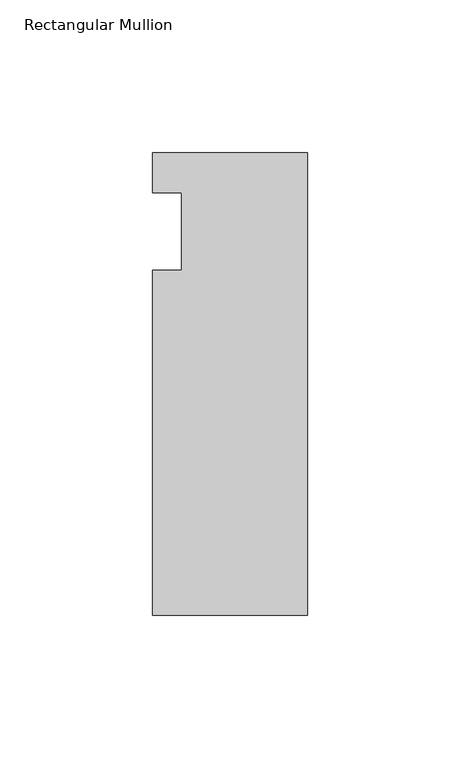
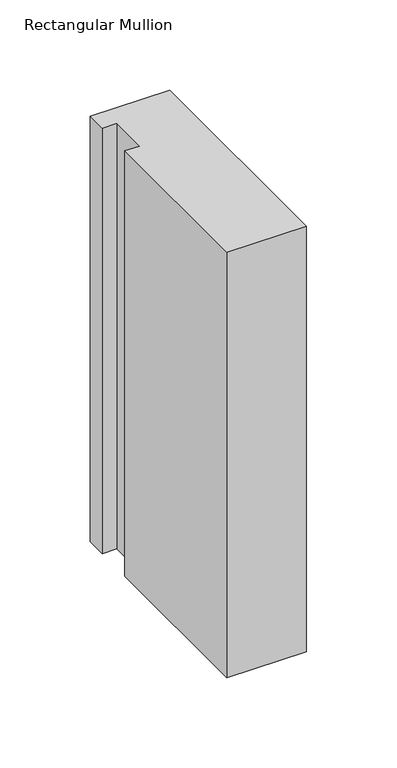
"""IFC4 building model written with IfcOpenShell, lengths in millimetres: member geometry, Rectangular Mullion."""

import ifcopenshell
import ifcopenshell.guid

model = None  # the IFC model being written
_history = None  # IfcOwnerHistory: only IFC2X3 demands one
_inside = {}  # id of a spatial element -> (the spatial element, [elements in it])
_under = {}  # id of a project, library or spatial element -> (it, [spatial elements below it])
_declared = {}  # id of a project -> (the project, [libraries it declares])
_typed = {}  # id of a type object -> (the type object, [elements of that type])
_made_of = {}  # id of a material, layer set ... -> (it, [elements and type objects made of it])


def new_model(schema):
    """Start an empty IFC model of exactly this schema.

    Asked for "IFC4X3", IfcOpenShell would pick the latest addendum, in which some entities
    have other attributes; the version numbers below select the first issue.
    IFC2X3 requires an IfcOwnerHistory on every rooted entity: one is made here for all.
    """
    global model, _history
    if schema == "IFC4X3":
        model = ifcopenshell.file(schema_version=(4, 3, 0, 0))
    else:
        model = ifcopenshell.file(schema=schema)
    _inside.clear()
    _under.clear()
    _declared.clear()
    _typed.clear()
    _made_of.clear()
    _history = None
    if model.schema == "IFC2X3":
        org = make("IfcOrganization", Name="unknown")
        user = make(
            "IfcPersonAndOrganization",
            ThePerson=make("IfcPerson", FamilyName="unknown"),
            TheOrganization=org,
        )
        app = make(
            "IfcApplication",
            ApplicationDeveloper=org,
            Version="unknown",
            ApplicationFullName="unknown",
            ApplicationIdentifier="unknown",
        )
        _history = make(
            "IfcOwnerHistory",
            OwningUser=user,
            OwningApplication=app,
            ChangeAction="ADDED",
            CreationDate=0,
        )
    return model


def make(cls, **values):
    """One entity of the class cls with the attributes given. An attribute that is None is left unset."""
    return model.create_entity(
        cls, **{name: value for name, value in values.items() if value is not None}
    )


def rooted(cls, **values):
    """An entity with a GlobalId (a new one), such as an element, a storey or a relation."""
    return make(cls, GlobalId=ifcopenshell.guid.new(), OwnerHistory=_history, **values)


def si_unit(unit_type, name, prefix=None):
    """IfcSIUnit, for example si_unit("LENGTHUNIT", "METRE", prefix="MILLI")."""
    return make("IfcSIUnit", UnitType=unit_type, Prefix=prefix, Name=name)


def assignment(units):
    """IfcUnitAssignment: the units of a project."""
    return None if units is None else make("IfcUnitAssignment", Units=units)


def point(xyz):
    """IfcCartesianPoint."""
    return None if xyz is None else make("IfcCartesianPoint", Coordinates=xyz)


def direction(xyz):
    """IfcDirection."""
    return None if xyz is None else make("IfcDirection", DirectionRatios=xyz)


def frame(location, z_axis=None, x_axis=None):
    """IfcAxis2Placement3D, a coordinate frame: its origin and axes. An axis left out is left unset."""
    return make(
        "IfcAxis2Placement3D",
        Location=point(location),
        Axis=direction(z_axis),
        RefDirection=direction(x_axis),
    )


def origin():
    """The frame at (0, 0, 0) with its axes left unset."""
    return frame((0.0, 0.0, 0.0))


def place(relative_to, where):
    """IfcLocalPlacement: puts the frame where relative to a parent placement (None: the world)."""
    return make(
        "IfcLocalPlacement", PlacementRelTo=relative_to, RelativePlacement=where
    )


def context(
    kind, dimensions, precision=None, world=None, true_north=None, identifier=None
):
    """IfcGeometricRepresentationContext, for example the 3D "Model" context."""
    return make(
        "IfcGeometricRepresentationContext",
        ContextIdentifier=identifier,
        ContextType=kind,
        CoordinateSpaceDimension=dimensions,
        Precision=precision,
        WorldCoordinateSystem=world,
        TrueNorth=true_north,
    )


def project(units=None, contexts=None):
    """IfcProject with its units and contexts."""
    return rooted(
        "IfcProject",
        Name="project",
        RepresentationContexts=contexts,
        UnitsInContext=assignment(units),
    )


def spatial(cls, under=None, at=None, **own):
    """A site, building, storey or space (cls), placed at a placement, below another one or the project."""
    s = rooted(cls, ObjectPlacement=at, **own)
    if under is not None:
        _under.setdefault(under.id(), (under, []))[1].append(s)
    return s


def polyline(points):
    """IfcPolyline through the points."""
    return make("IfcPolyline", Points=[point(p) for p in points])


def outline(outer, holes=None, kind="AREA"):
    """IfcArbitraryClosedProfileDef: a profile drawn as a closed curve; with holes, ...WithVoids."""
    if holes is None:
        return make("IfcArbitraryClosedProfileDef", ProfileType=kind, OuterCurve=outer)
    return make(
        "IfcArbitraryProfileDefWithVoids",
        ProfileType=kind,
        OuterCurve=outer,
        InnerCurves=holes,
    )


def extrude(swept, where, along, depth):
    """IfcExtrudedAreaSolid: the profile swept, set in the frame where, extruded along a direction by depth."""
    return make(
        "IfcExtrudedAreaSolid",
        SweptArea=swept,
        Position=where,
        ExtrudedDirection=direction(along),
        Depth=depth,
    )


def shape(context_of_items, identifier, shape_type, items):
    """IfcShapeRepresentation: the items that make up one representation, for example the "Body"."""
    return make(
        "IfcShapeRepresentation",
        ContextOfItems=context_of_items,
        RepresentationIdentifier=identifier,
        RepresentationType=shape_type,
        Items=items,
    )


def source(mapping_origin, context_of_items, identifier, shape_type, items):
    """IfcRepresentationMap: a shape defined once, which mapped items show again and again."""
    return make(
        "IfcRepresentationMap",
        MappingOrigin=mapping_origin,
        MappedRepresentation=shape(context_of_items, identifier, shape_type, items),
    )


def transform(
    local_origin,
    x_axis=None,
    y_axis=None,
    z_axis=None,
    scale=None,
    scale2=None,
    scale3=None,
    uniform=True,
):
    """IfcCartesianTransformationOperator3D, or its non-uniform kind. x_axis, y_axis, z_axis: its Axis1, 2, 3."""
    if uniform:
        return make(
            "IfcCartesianTransformationOperator3D",
            Axis1=direction(x_axis),
            Axis2=direction(y_axis),
            LocalOrigin=point(local_origin),
            Scale=scale,
            Axis3=direction(z_axis),
        )
    return make(
        "IfcCartesianTransformationOperator3DnonUniform",
        Axis1=direction(x_axis),
        Axis2=direction(y_axis),
        LocalOrigin=point(local_origin),
        Scale=scale,
        Axis3=direction(z_axis),
        Scale2=scale2,
        Scale3=scale3,
    )


def mapped(mapping_source, mapping_target):
    """IfcMappedItem: shows the shape of a source again, moved by a transform."""
    return make(
        "IfcMappedItem", MappingSource=mapping_source, MappingTarget=mapping_target
    )


def made_of(thing, what):
    """Note that an element or type object is made of a material, layer set ...; save() writes the relation."""
    if what is not None:
        _made_of.setdefault(what.id(), (what, []))[1].append(thing)
    return thing


def element(
    cls,
    number,
    at=None,
    inside=None,
    cuts=None,
    type_object=None,
    material=None,
    context=None,
    identifier="Body",
    shape_type=None,
    held_by="IfcProductDefinitionShape",
    body=None,
    shapes=None,
    **own,
):
    """One element of the class cls, such as IfcWall. Its Tag is "e" and its number.

    at: its placement. inside: the storey or other place that contains it. cuts: it is an
    opening in that element (IfcRelVoidsElement). A single representation is given by context,
    identifier, shape_type and body (its items); several are given by shapes. held_by: the class
    of the entity that holds the representations. save() writes the other relations.
    """
    e = rooted(cls, Tag="e%d" % number, ObjectPlacement=at, **own)
    if body is not None:
        shapes = [shape(context, identifier, shape_type, body)]
    if shapes is not None:
        e.Representation = make(held_by, Representations=shapes)
    if inside is not None:
        _inside.setdefault(inside.id(), (inside, []))[1].append(e)
    if cuts is not None:
        rooted(
            "IfcRelVoidsElement", RelatingBuildingElement=cuts, RelatedOpeningElement=e
        )
    if type_object is not None:
        _typed.setdefault(type_object.id(), (type_object, []))[1].append(e)
    return made_of(e, material)


def aggregate(whole, parts):
    """IfcRelAggregates: a whole, such as a stair, and the parts it consists of."""
    return rooted("IfcRelAggregates", RelatingObject=whole, RelatedObjects=parts)


def save(model, path):
    """Write the relations noted so far, then the file.

    IfcRelAggregates (storeys below a building ...), IfcRelContainedInSpatialStructure (elements
    in a storey), IfcRelDefinesByType, IfcRelAssociatesMaterial and IfcRelDeclares: one each for
    every whole, place, type object, material and project.
    """
    for whole, parts in _under.values():
        aggregate(whole, parts)
    for where, things in _inside.values():
        rooted(
            "IfcRelContainedInSpatialStructure",
            RelatedElements=things,
            RelatingStructure=where,
        )
    for kind, things in _typed.values():
        rooted("IfcRelDefinesByType", RelatedObjects=things, RelatingType=kind)
    for what, things in _made_of.values():
        rooted("IfcRelAssociatesMaterial", RelatedObjects=things, RelatingMaterial=what)
    for by, libraries in _declared.values():
        rooted("IfcRelDeclares", RelatingContext=by, RelatedDefinitions=libraries)
    model.write(path)


def rectangular_mullion_48277160(model_context):
    return source(origin(), model_context, "Body", "SweptSolid", [
        extrude(outline(polyline([(-50.8, 25.7961253), (0.0, 25.7961253), (0.0, -125.8036906), (-50.8, -125.8036906), (-50.8, -12.7), (-41.275, -12.7), (-41.275, 12.7), (-50.8, 12.7), (-50.8, 25.7961253)])), frame((0.0, 0.0, -287.8666667), z_axis=(0.0, 0.0, 1.0), x_axis=(1.0, 0.0, 0.0)), (0.0, 0.0, 1.0), 287.8666667),
    ])


if __name__ == "__main__":
    model = new_model("IFC4")
    model_context = context("Model", 3, world=origin())
    ifc_project = project(units=[si_unit("LENGTHUNIT", "METRE", prefix="MILLI")], contexts=[model_context])
    site = spatial("IfcSite", under=ifc_project)
    building = spatial("IfcBuilding", under=site)
    placement = place(None, origin())
    rectangular_mullion_shape = rectangular_mullion_48277160(model_context)
    element("IfcMember", 1, ObjectType="Rectangular Mullion", at=placement, inside=building, context=model_context, shape_type="MappedRepresentation", body=[
        mapped(rectangular_mullion_shape, transform((0.0, 0.0, 0.0), x_axis=(1.0, 0.0, 0.0), y_axis=(0.0, 1.0, 0.0), z_axis=(0.0, 0.0, 1.0))),
    ])
    save(model, "model.ifc")
